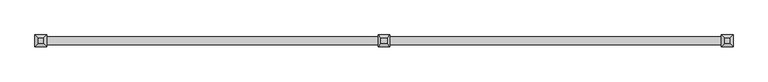
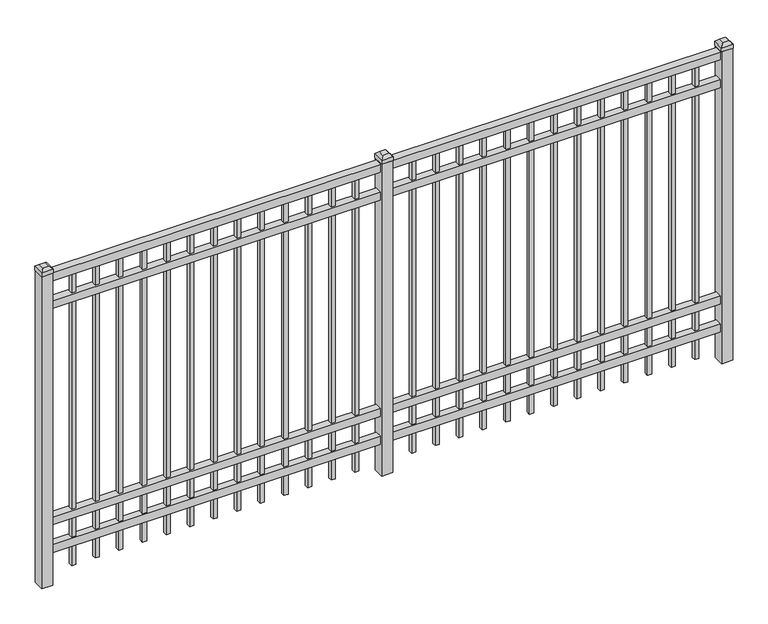
"""IFC4 building model written with IfcOpenShell, lengths in millimetres: railing geometry."""

from ifc_helpers import new_model, si_unit, frame, origin, origin_with_axes, place, context, project, spatial, polyline, outline, extrude, faceted_brep, source, transform, mapped, element, save


def railing_86683a33(model_context):
    return source(origin(), model_context, "Body", "SolidModel", [
        extrude(outline(polyline([(-73537.318087, -6748.7195174), (-73537.318087, -6713.7945174), (-70387.718087, -6713.7945174), (-70387.718087, -6748.7195174), (-73537.318087, -6748.7195174)])), frame((0.0, 0.0, 1485.9), z_axis=(0.0, 0.0, 1.0), x_axis=(1.0, 0.0, 0.0)), (0.0, 0.0, 1.0), 38.1),
        extrude(outline(polyline([(-73537.318087, -6748.7195174), (-73537.318087, -6713.7945174), (-70387.718087, -6713.7945174), (-70387.718087, -6748.7195174), (-73537.318087, -6748.7195174)])), frame((0.0, 0.0, 1349.375), z_axis=(0.0, 0.0, 1.0), x_axis=(1.0, 0.0, 0.0)), (0.0, 0.0, 1.0), 38.1),
        extrude(outline(polyline([(-73537.318087, -6748.7195174), (-73537.318087, -6713.7945174), (-70387.718087, -6713.7945174), (-70387.718087, -6748.7195174), (-73537.318087, -6748.7195174)])), frame((0.0, 0.0, 288.925), z_axis=(0.0, 0.0, 1.0), x_axis=(1.0, 0.0, 0.0)), (0.0, 0.0, 1.0), 38.1),
        extrude(outline(polyline([(-73537.318087, -6748.7195174), (-73537.318087, -6713.7945174), (-70387.718087, -6713.7945174), (-70387.718087, -6748.7195174), (-73537.318087, -6748.7195174)])), frame((0.0, 0.0, 152.4), z_axis=(0.0, 0.0, 1.0), x_axis=(1.0, 0.0, 0.0)), (0.0, 0.0, 1.0), 38.1),
        extrude(outline(polyline([(-70619.2285036, -6721.7320174), (-70619.2285036, -6740.7820174), (-70638.2785036, -6740.7820174), (-70638.2785036, -6721.7320174), (-70619.2285036, -6721.7320174)])), frame((0.0, 0.0, 50.8), z_axis=(0.0, 0.0, 1.0), x_axis=(1.0, 0.0, 0.0)), (0.0, 0.0, 1.0), 1435.1),
        extrude(outline(polyline([(-70728.5014203, -6721.7320174), (-70728.5014203, -6740.7820174), (-70747.5514203, -6740.7820174), (-70747.5514203, -6721.7320174), (-70728.5014203, -6721.7320174)])), frame((0.0, 0.0, 50.8), z_axis=(0.0, 0.0, 1.0), x_axis=(1.0, 0.0, 0.0)), (0.0, 0.0, 1.0), 1435.1),
        extrude(outline(polyline([(-70837.774337, -6721.7320174), (-70837.774337, -6740.7820174), (-70856.824337, -6740.7820174), (-70856.824337, -6721.7320174), (-70837.774337, -6721.7320174)])), frame((0.0, 0.0, 50.8), z_axis=(0.0, 0.0, 1.0), x_axis=(1.0, 0.0, 0.0)), (0.0, 0.0, 1.0), 1435.1),
        extrude(outline(polyline([(-70947.0472536, -6721.7320174), (-70947.0472536, -6740.7820174), (-70966.0972536, -6740.7820174), (-70966.0972536, -6721.7320174), (-70947.0472536, -6721.7320174)])), frame((0.0, 0.0, 50.8), z_axis=(0.0, 0.0, 1.0), x_axis=(1.0, 0.0, 0.0)), (0.0, 0.0, 1.0), 1435.1),
        extrude(outline(polyline([(-71056.3201703, -6721.7320174), (-71056.3201703, -6740.7820174), (-71075.3701703, -6740.7820174), (-71075.3701703, -6721.7320174), (-71056.3201703, -6721.7320174)])), frame((0.0, 0.0, 50.8), z_axis=(0.0, 0.0, 1.0), x_axis=(1.0, 0.0, 0.0)), (0.0, 0.0, 1.0), 1435.1),
        extrude(outline(polyline([(-71165.593087, -6721.7320174), (-71165.593087, -6740.7820174), (-71184.643087, -6740.7820174), (-71184.643087, -6721.7320174), (-71165.593087, -6721.7320174)])), frame((0.0, 0.0, 50.8), z_axis=(0.0, 0.0, 1.0), x_axis=(1.0, 0.0, 0.0)), (0.0, 0.0, 1.0), 1435.1),
        extrude(outline(polyline([(-71274.8660036, -6721.7320174), (-71274.8660036, -6740.7820174), (-71293.9160036, -6740.7820174), (-71293.9160036, -6721.7320174), (-71274.8660036, -6721.7320174)])), frame((0.0, 0.0, 50.8), z_axis=(0.0, 0.0, 1.0), x_axis=(1.0, 0.0, 0.0)), (0.0, 0.0, 1.0), 1435.1),
        extrude(outline(polyline([(-71384.1389203, -6721.7320174), (-71384.1389203, -6740.7820174), (-71403.1889203, -6740.7820174), (-71403.1889203, -6721.7320174), (-71384.1389203, -6721.7320174)])), frame((0.0, 0.0, 50.8), z_axis=(0.0, 0.0, 1.0), x_axis=(1.0, 0.0, 0.0)), (0.0, 0.0, 1.0), 1435.1),
        extrude(outline(polyline([(-71493.411837, -6721.7320174), (-71493.411837, -6740.7820174), (-71512.461837, -6740.7820174), (-71512.461837, -6721.7320174), (-71493.411837, -6721.7320174)])), frame((0.0, 0.0, 50.8), z_axis=(0.0, 0.0, 1.0), x_axis=(1.0, 0.0, 0.0)), (0.0, 0.0, 1.0), 1435.1),
        extrude(outline(polyline([(-71602.6847536, -6721.7320174), (-71602.6847536, -6740.7820174), (-71621.7347536, -6740.7820174), (-71621.7347536, -6721.7320174), (-71602.6847536, -6721.7320174)])), frame((0.0, 0.0, 50.8), z_axis=(0.0, 0.0, 1.0), x_axis=(1.0, 0.0, 0.0)), (0.0, 0.0, 1.0), 1435.1),
        extrude(outline(polyline([(-71711.9576703, -6721.7320174), (-71711.9576703, -6740.7820174), (-71731.0076703, -6740.7820174), (-71731.0076703, -6721.7320174), (-71711.9576703, -6721.7320174)])), frame((0.0, 0.0, 50.8), z_axis=(0.0, 0.0, 1.0), x_axis=(1.0, 0.0, 0.0)), (0.0, 0.0, 1.0), 1435.1),
        extrude(outline(polyline([(-70509.955587, -6721.7320174), (-70509.955587, -6740.7820174), (-70529.005587, -6740.7820174), (-70529.005587, -6721.7320174), (-70509.955587, -6721.7320174)])), frame((0.0, 0.0, 50.8), z_axis=(0.0, 0.0, 1.0), x_axis=(1.0, 0.0, 0.0)), (0.0, 0.0, 1.0), 1435.1),
        extrude(outline(polyline([(-71821.230587, -6721.7320174), (-71821.230587, -6740.7820174), (-71840.280587, -6740.7820174), (-71840.280587, -6721.7320174), (-71821.230587, -6721.7320174)])), frame((0.0, 0.0, 50.8), z_axis=(0.0, 0.0, 1.0), x_axis=(1.0, 0.0, 0.0)), (0.0, 0.0, 1.0), 1435.1),
        extrude(outline(polyline([(-71937.118087, -6705.8570174), (-71937.118087, -6756.6570174), (-71987.918087, -6756.6570174), (-71987.918087, -6705.8570174), (-71937.118087, -6705.8570174)])), origin_with_axes(), (0.0, 0.0, 1.0), 1530.35),
        faceted_brep([(-71989.505587, -6704.2695174, 1549.4), (-71989.505587, -6704.2695174, 1530.35), (-71989.505587, -6758.2445174, 1530.35), (-71989.505587, -6758.2445174, 1549.4), (-71976.805587, -6716.9695174, 1562.1), (-71976.805587, -6745.5445174, 1562.1), (-71935.530587, -6758.2445174, 1530.35), (-71935.530587, -6758.2445174, 1549.4), (-71948.230587, -6745.5445174, 1562.1), (-71935.530587, -6704.2695174, 1530.35), (-71935.530587, -6704.2695174, 1549.4), (-71948.230587, -6716.9695174, 1562.1)], [[[0, 1, 2, 3]], [[4, 0, 3, 5]], [[3, 2, 6, 7]], [[5, 3, 7, 8]], [[7, 6, 9, 10]], [[8, 7, 10, 11]], [[10, 9, 1, 0]], [[11, 10, 0, 4]], [[5, 8, 11, 4]], [[1, 9, 6, 2]]]),
        extrude(outline(polyline([(-72194.0285036, -6721.7320174), (-72194.0285036, -6740.7820174), (-72213.0785036, -6740.7820174), (-72213.0785036, -6721.7320174), (-72194.0285036, -6721.7320174)])), frame((0.0, 0.0, 50.8), z_axis=(0.0, 0.0, 1.0), x_axis=(1.0, 0.0, 0.0)), (0.0, 0.0, 1.0), 1435.1),
        extrude(outline(polyline([(-72303.3014203, -6721.7320174), (-72303.3014203, -6740.7820174), (-72322.3514203, -6740.7820174), (-72322.3514203, -6721.7320174), (-72303.3014203, -6721.7320174)])), frame((0.0, 0.0, 50.8), z_axis=(0.0, 0.0, 1.0), x_axis=(1.0, 0.0, 0.0)), (0.0, 0.0, 1.0), 1435.1),
        extrude(outline(polyline([(-72412.574337, -6721.7320174), (-72412.574337, -6740.7820174), (-72431.624337, -6740.7820174), (-72431.624337, -6721.7320174), (-72412.574337, -6721.7320174)])), frame((0.0, 0.0, 50.8), z_axis=(0.0, 0.0, 1.0), x_axis=(1.0, 0.0, 0.0)), (0.0, 0.0, 1.0), 1435.1),
        extrude(outline(polyline([(-72521.8472536, -6721.7320174), (-72521.8472536, -6740.7820174), (-72540.8972536, -6740.7820174), (-72540.8972536, -6721.7320174), (-72521.8472536, -6721.7320174)])), frame((0.0, 0.0, 50.8), z_axis=(0.0, 0.0, 1.0), x_axis=(1.0, 0.0, 0.0)), (0.0, 0.0, 1.0), 1435.1),
        extrude(outline(polyline([(-72631.1201703, -6721.7320174), (-72631.1201703, -6740.7820174), (-72650.1701703, -6740.7820174), (-72650.1701703, -6721.7320174), (-72631.1201703, -6721.7320174)])), frame((0.0, 0.0, 50.8), z_axis=(0.0, 0.0, 1.0), x_axis=(1.0, 0.0, 0.0)), (0.0, 0.0, 1.0), 1435.1),
        extrude(outline(polyline([(-72740.393087, -6721.7320174), (-72740.393087, -6740.7820174), (-72759.443087, -6740.7820174), (-72759.443087, -6721.7320174), (-72740.393087, -6721.7320174)])), frame((0.0, 0.0, 50.8), z_axis=(0.0, 0.0, 1.0), x_axis=(1.0, 0.0, 0.0)), (0.0, 0.0, 1.0), 1435.1),
        extrude(outline(polyline([(-72849.6660036, -6721.7320174), (-72849.6660036, -6740.7820174), (-72868.7160036, -6740.7820174), (-72868.7160036, -6721.7320174), (-72849.6660036, -6721.7320174)])), frame((0.0, 0.0, 50.8), z_axis=(0.0, 0.0, 1.0), x_axis=(1.0, 0.0, 0.0)), (0.0, 0.0, 1.0), 1435.1),
        extrude(outline(polyline([(-72958.9389203, -6721.7320174), (-72958.9389203, -6740.7820174), (-72977.9889203, -6740.7820174), (-72977.9889203, -6721.7320174), (-72958.9389203, -6721.7320174)])), frame((0.0, 0.0, 50.8), z_axis=(0.0, 0.0, 1.0), x_axis=(1.0, 0.0, 0.0)), (0.0, 0.0, 1.0), 1435.1),
        extrude(outline(polyline([(-73068.211837, -6721.7320174), (-73068.211837, -6740.7820174), (-73087.261837, -6740.7820174), (-73087.261837, -6721.7320174), (-73068.211837, -6721.7320174)])), frame((0.0, 0.0, 50.8), z_axis=(0.0, 0.0, 1.0), x_axis=(1.0, 0.0, 0.0)), (0.0, 0.0, 1.0), 1435.1),
        extrude(outline(polyline([(-73177.4847536, -6721.7320174), (-73177.4847536, -6740.7820174), (-73196.5347536, -6740.7820174), (-73196.5347536, -6721.7320174), (-73177.4847536, -6721.7320174)])), frame((0.0, 0.0, 50.8), z_axis=(0.0, 0.0, 1.0), x_axis=(1.0, 0.0, 0.0)), (0.0, 0.0, 1.0), 1435.1),
        extrude(outline(polyline([(-73286.7576703, -6721.7320174), (-73286.7576703, -6740.7820174), (-73305.8076703, -6740.7820174), (-73305.8076703, -6721.7320174), (-73286.7576703, -6721.7320174)])), frame((0.0, 0.0, 50.8), z_axis=(0.0, 0.0, 1.0), x_axis=(1.0, 0.0, 0.0)), (0.0, 0.0, 1.0), 1435.1),
        extrude(outline(polyline([(-72084.755587, -6721.7320174), (-72084.755587, -6740.7820174), (-72103.805587, -6740.7820174), (-72103.805587, -6721.7320174), (-72084.755587, -6721.7320174)])), frame((0.0, 0.0, 50.8), z_axis=(0.0, 0.0, 1.0), x_axis=(1.0, 0.0, 0.0)), (0.0, 0.0, 1.0), 1435.1),
        extrude(outline(polyline([(-73396.030587, -6721.7320174), (-73396.030587, -6740.7820174), (-73415.080587, -6740.7820174), (-73415.080587, -6721.7320174), (-73396.030587, -6721.7320174)])), frame((0.0, 0.0, 50.8), z_axis=(0.0, 0.0, 1.0), x_axis=(1.0, 0.0, 0.0)), (0.0, 0.0, 1.0), 1435.1),
        extrude(outline(polyline([(-70362.318087, -6705.8570174), (-70362.318087, -6756.6570174), (-70413.118087, -6756.6570174), (-70413.118087, -6705.8570174), (-70362.318087, -6705.8570174)])), origin_with_axes(), (0.0, 0.0, 1.0), 1530.35),
        faceted_brep([(-70414.705587, -6704.2695174, 1549.4), (-70414.705587, -6704.2695174, 1530.35), (-70414.705587, -6758.2445174, 1530.35), (-70414.705587, -6758.2445174, 1549.4), (-70402.005587, -6716.9695174, 1562.1), (-70402.005587, -6745.5445174, 1562.1), (-70360.730587, -6758.2445174, 1530.35), (-70360.730587, -6758.2445174, 1549.4), (-70373.430587, -6745.5445174, 1562.1), (-70360.730587, -6704.2695174, 1530.35), (-70360.730587, -6704.2695174, 1549.4), (-70373.430587, -6716.9695174, 1562.1)], [[[0, 1, 2, 3]], [[4, 0, 3, 5]], [[3, 2, 6, 7]], [[5, 3, 7, 8]], [[7, 6, 9, 10]], [[8, 7, 10, 11]], [[10, 9, 1, 0]], [[11, 10, 0, 4]], [[5, 8, 11, 4]], [[1, 9, 6, 2]]]),
        extrude(outline(polyline([(-73511.918087, -6705.8570174), (-73511.918087, -6756.6570174), (-73562.718087, -6756.6570174), (-73562.718087, -6705.8570174), (-73511.918087, -6705.8570174)])), origin_with_axes(), (0.0, 0.0, 1.0), 1530.35),
        faceted_brep([(-73564.305587, -6704.2695174, 1549.4), (-73564.305587, -6704.2695174, 1530.35), (-73564.305587, -6758.2445174, 1530.35), (-73564.305587, -6758.2445174, 1549.4), (-73551.605587, -6716.9695174, 1562.1), (-73551.605587, -6745.5445174, 1562.1), (-73510.330587, -6758.2445174, 1530.35), (-73510.330587, -6758.2445174, 1549.4), (-73523.030587, -6745.5445174, 1562.1), (-73510.330587, -6704.2695174, 1530.35), (-73510.330587, -6704.2695174, 1549.4), (-73523.030587, -6716.9695174, 1562.1)], [[[0, 1, 2, 3]], [[4, 0, 3, 5]], [[3, 2, 6, 7]], [[5, 3, 7, 8]], [[7, 6, 9, 10]], [[8, 7, 10, 11]], [[10, 9, 1, 0]], [[11, 10, 0, 4]], [[5, 8, 11, 4]], [[1, 9, 6, 2]]]),
    ])


if __name__ == "__main__":
    model = new_model("IFC4")
    model_context = context("Model", 3, world=origin())
    ifc_project = project(units=[si_unit("LENGTHUNIT", "METRE", prefix="MILLI")], contexts=[model_context])
    site = spatial("IfcSite", under=ifc_project)
    building = spatial("IfcBuilding", under=site)
    placement = place(None, origin())
    railing_shape = railing_86683a33(model_context)
    element("IfcRailing", 1, at=placement, inside=building, context=model_context, shape_type="MappedRepresentation", body=[
        mapped(railing_shape, transform((0.0, 0.0, 0.0), x_axis=(1.0, 0.0, 0.0), y_axis=(0.0, 1.0, 0.0), z_axis=(0.0, 0.0, 1.0))),
    ])
    save(model, "model.ifc")
